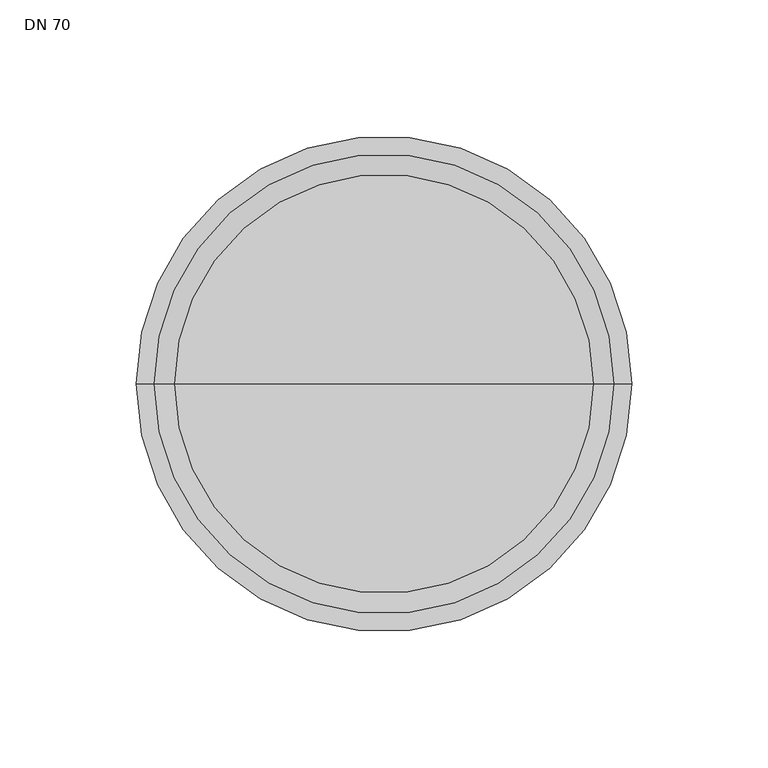
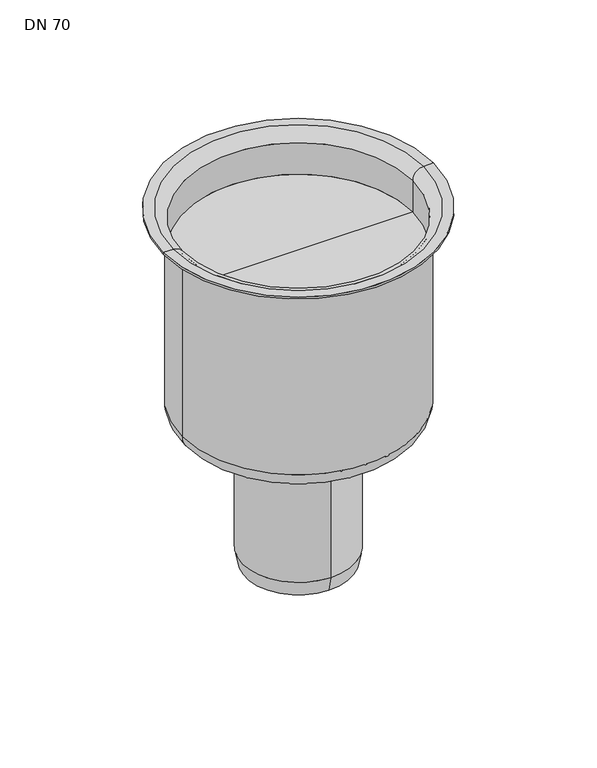
"""IFC4 building model written with IfcOpenShell, lengths in millimetres: flow terminal geometry, DN 70."""

from ifc_helpers import new_model, si_unit, point, frame, origin, place, context, project, spatial, polyline, circle_curve, ellipse_curve, trimmed, source, transform, mapped, element, save
from ifc_brep_helpers import plane_surface, cylinder_surface, revolved_surface, advanced_brep


def dn_70_e1af1a25(model_context):
    return source(origin(), model_context, "Body", "AdvancedBrep", [
        advanced_brep(
        [(-78.5, 0.0, -185.7707899), (78.5, 0.0, -185.7707899), (66.3489424, 0.0, -197.9218475), (-66.3489424, 0.0, -197.9218475), (-78.5, 0.0, -57.5), (78.5, 0.0, -57.5), (-84.5, 0.0, -50.0), (84.5, 0.0, -50.0), (91.0, 0.0, -50.0), (-91.0, 0.0, -50.0), (0.0, 0.0, -197.9218475), (-84.5, 0.0, -51.5), (84.5, 0.0, -51.5), (-91.0, 0.0, -51.5), (91.0, 0.0, -51.5), (-77.0, 0.0, -57.5), (77.0, 0.0, -57.5), (-77.0, 0.0, -80.0), (77.0, 0.0, -80.0), (0.0, 0.0, -80.0)],
        [
            (0, 1, circle_curve(frame((0.0, 0.0, -185.7707899), z_axis=(0.0, 0.0, -1.0), x_axis=(1.0, 0.0, 0.0)), 78.5)),
            (1, 2, circle_curve(frame((66.3489424, 0.0, -185.7707899), z_axis=(0.0, 1.0, 0.0), x_axis=(1.0, 0.0, 0.0)), 12.1510576)),
            (2, 3, circle_curve(frame((0.0, 0.0, -197.9218475), z_axis=(0.0, 0.0, 1.0), x_axis=(1.0, 0.0, 0.0)), 66.3489424)),
            (3, 0, circle_curve(frame((-66.3489424, 0.0, -185.7707899), z_axis=(0.0, 1.0, 0.0), x_axis=(-1.0, 0.0, 0.0)), 12.1510576)),
            (1, 0, circle_curve(frame((0.0, 0.0, -185.7707899), z_axis=(0.0, 0.0, -1.0), x_axis=(1.0, 0.0, 0.0)), 78.5)),
            (3, 2, circle_curve(frame((0.0, 0.0, -197.9218475), z_axis=(0.0, 0.0, 1.0), x_axis=(1.0, 0.0, 0.0)), 66.3489424)),
            (4, 5, circle_curve(frame((0.0, 0.0, -57.5), z_axis=(0.0, 0.0, -1.0), x_axis=(1.0, 0.0, 0.0)), 78.5)),
            (5, 1),
            (0, 4),
            (5, 4, circle_curve(frame((0.0, 0.0, -57.5), z_axis=(0.0, 0.0, -1.0), x_axis=(1.0, 0.0, 0.0)), 78.5)),
            (6, 7, circle_curve(frame((0.0, 0.0, -50.0), z_axis=(0.0, 0.0, -1.0), x_axis=(1.0, 0.0, 0.0)), 84.5)),
            (7, 8),
            (8, 9, circle_curve(frame((0.0, 0.0, -50.0), z_axis=(0.0, 0.0, 1.0), x_axis=(1.0, 0.0, 0.0)), 91.0)),
            (9, 6),
            (7, 6, circle_curve(frame((0.0, 0.0, -50.0), z_axis=(0.0, 0.0, -1.0), x_axis=(1.0, 0.0, 0.0)), 84.5)),
            (9, 8, circle_curve(frame((0.0, 0.0, -50.0), z_axis=(0.0, 0.0, 1.0), x_axis=(1.0, 0.0, 0.0)), 91.0)),
            (2, 10),
            (10, 3),
            (11, 12, circle_curve(frame((0.0, 0.0, -51.5), z_axis=(0.0, 0.0, -1.0), x_axis=(1.0, 0.0, 0.0)), 84.5)),
            (12, 5, circle_curve(frame((84.5, 0.0, -57.5), z_axis=(0.0, -1.0, 0.0), x_axis=(1.0, 0.0, 0.0)), 6.0)),
            (4, 11, circle_curve(frame((-84.5, 0.0, -57.5), z_axis=(0.0, -1.0, 0.0), x_axis=(-1.0, 0.0, 0.0)), 6.0)),
            (12, 11, circle_curve(frame((0.0, 0.0, -51.5), z_axis=(0.0, 0.0, -1.0), x_axis=(1.0, 0.0, 0.0)), 84.5)),
            (13, 14, circle_curve(frame((0.0, 0.0, -51.5), z_axis=(0.0, 0.0, -1.0), x_axis=(1.0, 0.0, 0.0)), 91.0)),
            (14, 12),
            (11, 13),
            (14, 13, circle_curve(frame((0.0, 0.0, -51.5), z_axis=(0.0, 0.0, -1.0), x_axis=(1.0, 0.0, 0.0)), 91.0)),
            (8, 14),
            (13, 9),
            (15, 16, circle_curve(frame((0.0, 0.0, -57.5), z_axis=(0.0, 0.0, -1.0), x_axis=(1.0, 0.0, 0.0)), 77.0)),
            (16, 7, circle_curve(frame((84.5, 0.0, -57.5), z_axis=(0.0, 1.0, 0.0), x_axis=(1.0, 0.0, 0.0)), 7.5)),
            (6, 15, circle_curve(frame((-84.5, 0.0, -57.5), z_axis=(0.0, 1.0, 0.0), x_axis=(-1.0, 0.0, 0.0)), 7.5)),
            (16, 15, circle_curve(frame((0.0, 0.0, -57.5), z_axis=(0.0, 0.0, -1.0), x_axis=(1.0, 0.0, 0.0)), 77.0)),
            (17, 18, circle_curve(frame((0.0, 0.0, -80.0), z_axis=(0.0, 0.0, -1.0), x_axis=(1.0, 0.0, 0.0)), 77.0)),
            (18, 16),
            (15, 17),
            (18, 17, circle_curve(frame((0.0, 0.0, -80.0), z_axis=(0.0, 0.0, -1.0), x_axis=(1.0, 0.0, 0.0)), 77.0)),
            (19, 18),
            (17, 19),
        ],
        [
            revolved_surface(trimmed(ellipse_curve(frame((66.3489424, 0.0, -185.7707899), z_axis=(0.0, -1.0, 0.0), x_axis=(1.0, 0.0, 0.0)), 12.1510576, 12.1510576), [point((66.3489424, 0.0, -197.9218475))], [point((78.5, 0.0, -185.7707899))], True, "CARTESIAN"), (0.0, 0.0, -49.0), (0.0, 0.0, 1.0)),
            cylinder_surface(frame((0.0, 0.0, -49.0), z_axis=(0.0, 0.0, 1.0), x_axis=(1.0, 0.0, 0.0)), 78.5),
            plane_surface(frame((0.0, 0.0, -50.0), z_axis=(0.0, 0.0, 1.0), x_axis=(1.0, 0.0, 0.0))),
            plane_surface(frame((0.0, 0.0, -197.9218475), z_axis=(0.0, 0.0, -1.0), x_axis=(1.0, 0.0, 0.0))),
            revolved_surface(trimmed(ellipse_curve(frame((84.5, 0.0, -57.5), z_axis=(0.0, 1.0, 0.0), x_axis=(1.0, 0.0, 0.0)), 6.0, 6.0), [point((78.5, 0.0, -57.5))], [point((84.5, 0.0, -51.5))], True, "CARTESIAN"), (0.0, 0.0, -49.0), (0.0, 0.0, 1.0)),
            plane_surface(frame((0.0, 0.0, -51.5), z_axis=(0.0, 0.0, -1.0), x_axis=(1.0, 0.0, 0.0))),
            cylinder_surface(frame((0.0, 0.0, -49.0), z_axis=(0.0, 0.0, 1.0), x_axis=(1.0, 0.0, 0.0)), 91.0),
            revolved_surface(trimmed(ellipse_curve(frame((84.5, 0.0, -57.5), z_axis=(0.0, -1.0, 0.0), x_axis=(1.0, 0.0, 0.0)), 7.5, 7.5), [point((84.5, 0.0, -50.0))], [point((77.0, 0.0, -57.5))], True, "CARTESIAN"), (0.0, 0.0, -49.0), (0.0, 0.0, 1.0)),
            revolved_surface(polyline([(77.0, 0.0, -57.5), (77.0, 0.0, -80.0)]), (0.0, 0.0, -49.0), (0.0, 0.0, 1.0)),
            plane_surface(frame((0.0, 0.0, -80.0), z_axis=(0.0, 0.0, 1.0), x_axis=(1.0, 0.0, 0.0))),
        ],
        [
            (0, [[1, 2, 3, 4]]),
            (0, [[5, -4, 6, -2]]),
            (1, [[7, 8, -1, 9]]),
            (1, [[10, -9, -5, -8]]),
            (2, [[11, 12, 13, 14]]),
            (2, [[15, -14, 16, -12]]),
            (3, [[-3, 17, 18]]),
            (3, [[-6, -18, -17]]),
            (4, [[19, 20, -7, 21]]),
            (4, [[22, -21, -10, -20]]),
            (5, [[23, 24, -19, 25]]),
            (5, [[26, -25, -22, -24]]),
            (6, [[-13, 27, -23, 28]]),
            (6, [[-16, -28, -26, -27]]),
            (7, [[29, 30, -11, 31]]),
            (7, [[32, -31, -15, -30]]),
            (8, [[33, 34, -29, 35]]),
            (8, [[36, -35, -32, -34]]),
            (9, [[37, -33, 38]]),
            (9, [[-38, -36, -37]]),
        ],
    ),
        advanced_brep(
        [(0.0, -35.3503347, -301.5), (0.0, 35.3503347, -301.5), (0.0, 34.2901902, -301.5), (0.0, -34.2901902, -301.5), (0.0, -37.5, -201.5), (0.0, 37.5, -201.5), (0.0, 37.5, -290.9993784), (0.0, -37.5, -290.9993784), (0.0, 0.0, -132.5), (0.0, 35.0, -132.5), (0.0, -35.0, -132.5), (0.0, -35.0, -199.1535174), (0.0, 35.0, -199.1535174), (0.0, -34.2901902, -221.7562457), (0.0, 34.2901902, -221.7562457), (0.0, 0.0, -221.7562457)],
        [
            (0, 1, circle_curve(frame((0.0, 0.0, -301.5), z_axis=(0.0, 0.0, -1.0), x_axis=(0.0, 1.0, 0.0)), 35.3503347)),
            (1, 2),
            (2, 3, circle_curve(frame((0.0, 0.0, -301.5), z_axis=(0.0, 0.0, 1.0), x_axis=(0.0, 1.0, 0.0)), 34.2901902)),
            (3, 0),
            (1, 0, circle_curve(frame((0.0, 0.0, -301.5), z_axis=(0.0, 0.0, -1.0), x_axis=(0.0, 1.0, 0.0)), 35.3503347)),
            (3, 2, circle_curve(frame((0.0, 0.0, -301.5), z_axis=(0.0, 0.0, 1.0), x_axis=(0.0, 1.0, 0.0)), 34.2901902)),
            (4, 5, circle_curve(frame((0.0, 0.0, -201.5), z_axis=(0.0, 0.0, -1.0), x_axis=(0.0, 1.0, 0.0)), 37.5)),
            (5, 6),
            (6, 7, circle_curve(frame((0.0, 0.0, -290.9993784), z_axis=(0.0, 0.0, 1.0), x_axis=(0.0, 1.0, 0.0)), 37.5)),
            (7, 4),
            (5, 4, circle_curve(frame((0.0, 0.0, -201.5), z_axis=(0.0, 0.0, -1.0), x_axis=(0.0, 1.0, 0.0)), 37.5)),
            (7, 6, circle_curve(frame((0.0, 0.0, -290.9993784), z_axis=(0.0, 0.0, 1.0), x_axis=(0.0, 1.0, 0.0)), 37.5)),
            (8, 9),
            (9, 10, circle_curve(frame((0.0, 0.0, -132.5), z_axis=(0.0, 0.0, 1.0), x_axis=(0.0, 1.0, 0.0)), 35.0)),
            (10, 8),
            (10, 9, circle_curve(frame((0.0, 0.0, -132.5), z_axis=(0.0, 0.0, 1.0), x_axis=(0.0, 1.0, 0.0)), 35.0)),
            (11, 12, circle_curve(frame((0.0, 0.0, -199.1535174), z_axis=(0.0, 0.0, -1.0), x_axis=(0.0, 1.0, 0.0)), 35.0)),
            (12, 5),
            (4, 11),
            (12, 11, circle_curve(frame((0.0, 0.0, -199.1535174), z_axis=(0.0, 0.0, -1.0), x_axis=(0.0, 1.0, 0.0)), 35.0)),
            (9, 12),
            (11, 10),
            (6, 1),
            (0, 7),
            (13, 14, circle_curve(frame((0.0, 0.0, -221.7562457), z_axis=(0.0, 0.0, -1.0), x_axis=(0.0, 1.0, 0.0)), 34.2901902)),
            (14, 15),
            (15, 13),
            (14, 13, circle_curve(frame((0.0, 0.0, -221.7562457), z_axis=(0.0, 0.0, -1.0), x_axis=(0.0, 1.0, 0.0)), 34.2901902)),
            (2, 14),
            (13, 3),
        ],
        [
            plane_surface(frame((0.0, 0.0, -301.5), z_axis=(0.0, 0.0, -1.0), x_axis=(0.0, 1.0, 0.0))),
            cylinder_surface(frame((0.0, 0.0, -132.5), z_axis=(0.0, 0.0, 1.0), x_axis=(0.0, 1.0, 0.0)), 37.5),
            plane_surface(frame((0.0, 0.0, -132.5), z_axis=(0.0, 0.0, 1.0), x_axis=(0.0, 1.0, 0.0))),
            revolved_surface(polyline([(0.0, 37.5, -201.5), (0.0, 35.0, -199.1535174)]), (0.0, 0.0, -132.5), (0.0, 0.0, 1.0)),
            cylinder_surface(frame((0.0, 0.0, -132.5), z_axis=(0.0, 0.0, 1.0), x_axis=(0.0, 1.0, 0.0)), 35.0),
            revolved_surface(polyline([(0.0, 35.3503347, -301.5), (0.0, 37.5, -290.9993784)]), (0.0, 0.0, -132.5), (0.0, 0.0, 1.0)),
            plane_surface(frame((0.0, 0.0, -221.7562457), z_axis=(0.0, 0.0, -1.0), x_axis=(0.0, 1.0, 0.0))),
            revolved_surface(polyline([(0.0, 34.2901902, -221.7562457), (0.0, 34.2901902, -301.5)]), (0.0, 0.0, -132.5), (0.0, 0.0, 1.0)),
        ],
        [
            (0, [[1, 2, 3, 4]]),
            (0, [[5, -4, 6, -2]]),
            (1, [[7, 8, 9, 10]]),
            (1, [[11, -10, 12, -8]]),
            (2, [[13, 14, 15]]),
            (2, [[-15, 16, -13]]),
            (3, [[17, 18, -7, 19]]),
            (3, [[20, -19, -11, -18]]),
            (4, [[-14, 21, -17, 22]]),
            (4, [[-16, -22, -20, -21]]),
            (5, [[-9, 23, -1, 24]]),
            (5, [[-12, -24, -5, -23]]),
            (6, [[25, 26, 27]]),
            (6, [[28, -27, -26]]),
            (7, [[-3, 29, -25, 30]]),
            (7, [[-6, -30, -28, -29]]),
        ],
    ),
    ])


if __name__ == "__main__":
    model = new_model("IFC4")
    model_context = context("Model", 3, world=origin())
    ifc_project = project(units=[si_unit("LENGTHUNIT", "METRE", prefix="MILLI")], contexts=[model_context])
    site = spatial("IfcSite", under=ifc_project)
    building = spatial("IfcBuilding", under=site)
    placement = place(None, origin())
    dn_70_shape = dn_70_e1af1a25(model_context)
    element("IfcFlowTerminal", 1, ObjectType="DN 70", at=placement, inside=building, context=model_context, shape_type="MappedRepresentation", body=[
        mapped(dn_70_shape, transform((0.0, 0.0, 0.0), x_axis=(1.0, 0.0, 0.0), y_axis=(0.0, 1.0, 0.0), z_axis=(0.0, 0.0, 1.0))),
    ])
    save(model, "model.ifc")
